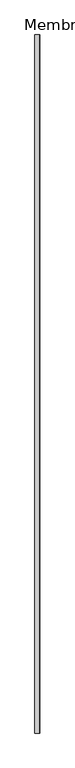
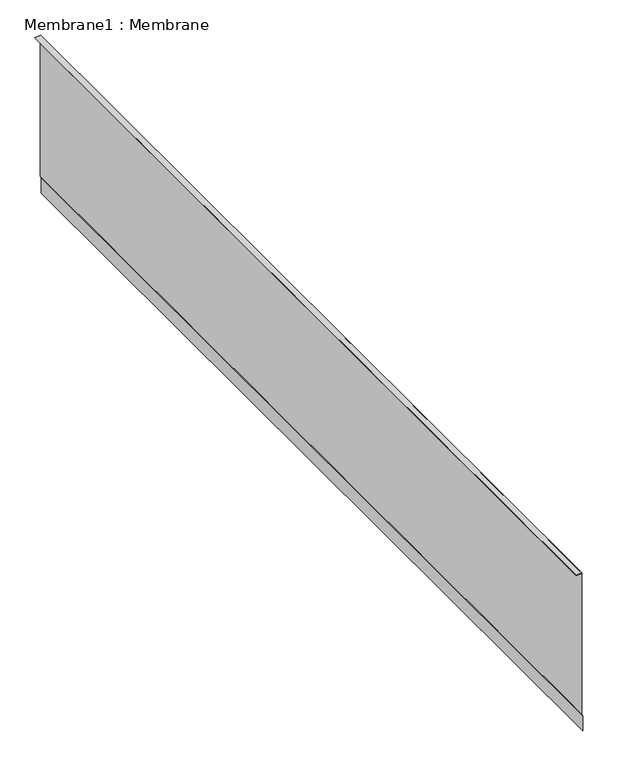
"""IFC4 building model written with IfcOpenShell, lengths in millimetres: proxy geometry, Membrane1 : Membrane."""

from ifc_helpers import new_model, si_unit, frame, origin, place, context, project, spatial, polyline, outline, extrude, source, transform, mapped, element, save


def membrane1_membrane_39e32811(model_context):
    return source(origin(), model_context, "Body", "SweptSolid", [
        extrude(outline(polyline([(4157.3986911, 38237.3274208), (4153.8717812, 38197.061653), (4151.4099708, 38197.061653), (4154.7220713, 38234.8750001), (3118.571949, 38234.8750001), (3102.0586464, 38242.2271961), (2991.3581832, 38242.2271961), (2991.3581832, 38244.6796168), (3102.1696577, 38244.6796168), (3118.6829603, 38237.3274208), (4157.3986911, 38237.3274208)])), frame((0.0, -25196.3529893, 0.0), z_axis=(0.0, 1.0, 0.0), x_axis=(0.0, 0.0, 1.0)), (0.0, 0.0, 1.0), 6533.92),
    ])


if __name__ == "__main__":
    model = new_model("IFC4")
    model_context = context("Model", 3, world=origin())
    ifc_project = project(units=[si_unit("LENGTHUNIT", "METRE", prefix="MILLI")], contexts=[model_context])
    site = spatial("IfcSite", under=ifc_project)
    building = spatial("IfcBuilding", under=site)
    placement = place(None, origin())
    membrane1_membrane_shape = membrane1_membrane_39e32811(model_context)
    element("IfcBuildingElementProxy", 1, Name="Membrane1 : Membrane", ObjectType="Membrane1 : Membrane", at=placement, inside=building, context=model_context, shape_type="MappedRepresentation", body=[
        mapped(membrane1_membrane_shape, transform((0.0, 0.0, 0.0), x_axis=(1.0, 0.0, 0.0), y_axis=(0.0, 1.0, 0.0), z_axis=(0.0, 0.0, 1.0))),
    ])
    save(model, "model.ifc")
